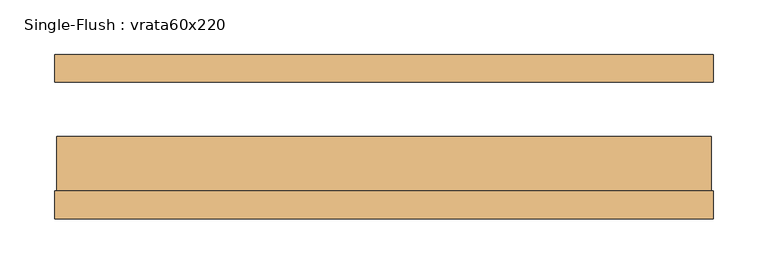
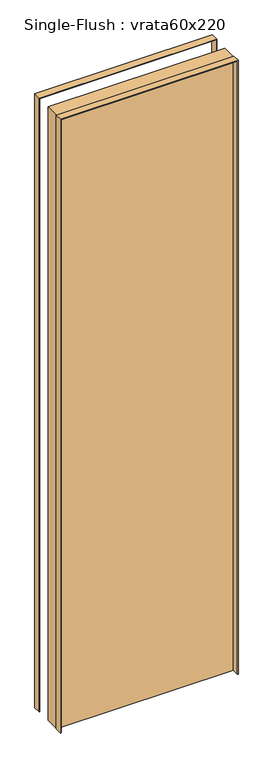
"""IFC4 building model written with IfcOpenShell, lengths in millimetres: door geometry, Single-Flush : vrata60x220."""

from ifc_helpers import new_model, si_unit, frame, origin, origin_with_axes, place, context, project, spatial, polyline, outline, extrude, source, transform, mapped, element, save


def single_flush_vrata60x220_d63394dc(model_context):
    return source(origin(), model_context, "Body", "SweptSolid", [
        extrude(outline(polyline([(2202.0, -302.0), (0.0, -302.0), (0.0, -300.0), (2200.0, -300.0), (2200.0, 300.0), (0.0, 300.0), (0.0, 302.0), (2202.0, 302.0), (2202.0, -302.0)])), frame((0.0, -75.4, 0.0), z_axis=(0.0, 1.0, 0.0), x_axis=(0.0, 0.0, 1.0)), (0.0, 0.0, 1.0), 25.4),
        extrude(outline(polyline([(2202.0, 302.0), (2202.0, -302.0), (0.0, -302.0), (0.0, -300.0), (2200.0, -300.0), (2200.0, 300.0), (0.0, 300.0), (0.0, 302.0), (2202.0, 302.0)])), frame((0.0, 50.0, 0.0), z_axis=(0.0, 1.0, 0.0), x_axis=(0.0, 0.0, 1.0)), (0.0, 0.0, 1.0), 25.4),
        extrude(outline(polyline([(300.0, 0.0), (300.0, -50.0), (-300.0, -50.0), (-300.0, 0.0), (300.0, 0.0)])), origin_with_axes(), (0.0, 0.0, 1.0), 2200.0),
    ])


if __name__ == "__main__":
    model = new_model("IFC4")
    model_context = context("Model", 3, world=origin())
    ifc_project = project(units=[si_unit("LENGTHUNIT", "METRE", prefix="MILLI")], contexts=[model_context])
    site = spatial("IfcSite", under=ifc_project)
    building = spatial("IfcBuilding", under=site)
    placement = place(None, origin())
    single_flush_vrata60x220_shape = single_flush_vrata60x220_d63394dc(model_context)
    element("IfcDoor", 1, ObjectType="Single-Flush : vrata60x220", at=placement, inside=building, context=model_context, shape_type="MappedRepresentation", body=[
        mapped(single_flush_vrata60x220_shape, transform((0.0, 0.0, 0.0), x_axis=(1.0, 0.0, 0.0), y_axis=(0.0, 1.0, 0.0), z_axis=(0.0, 0.0, 1.0))),
    ])
    save(model, "model.ifc")
